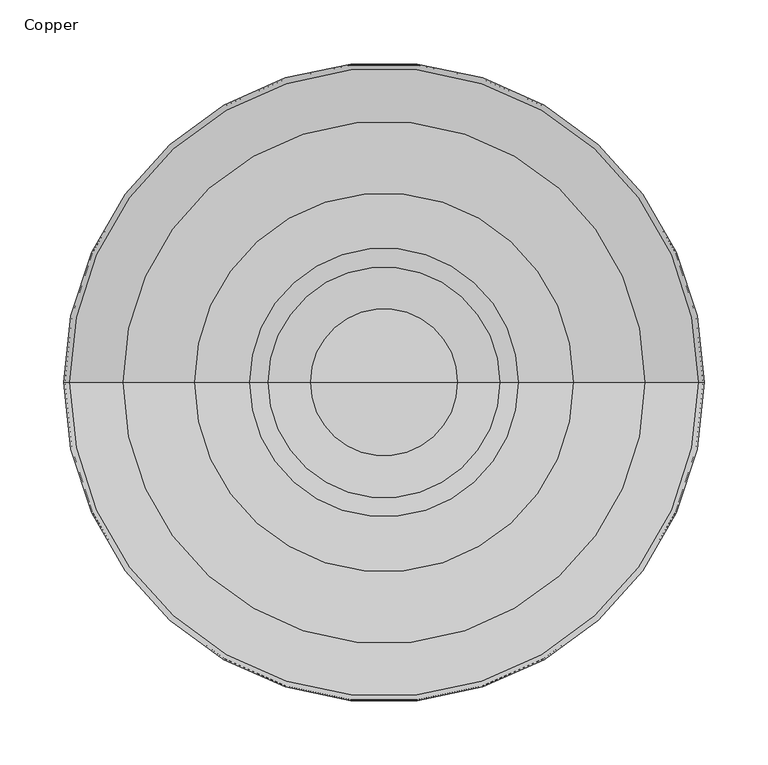
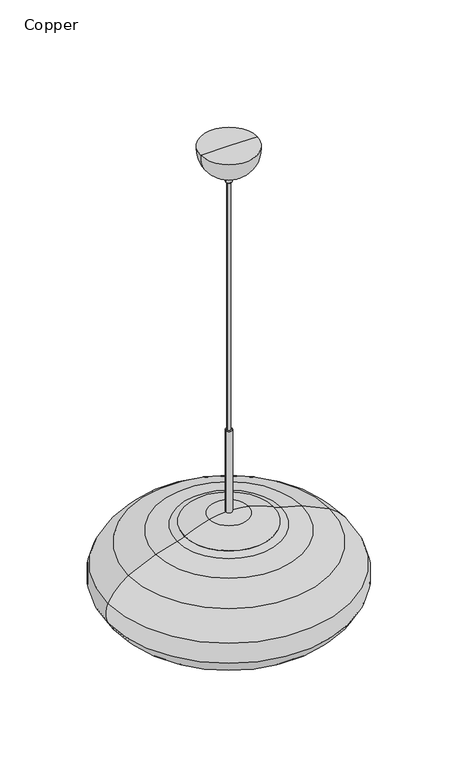
"""IFC4 building model written with IfcOpenShell, lengths in millimetres: furniture geometry, Copper."""

from ifc_helpers import new_model, si_unit, point, frame, origin, place, context, project, spatial, polyline, circle_curve, ellipse_curve, trimmed, source, transform, mapped, element, save
from ifc_brep_helpers import plane_surface, cylinder_surface, revolved_surface, advanced_brep


def copper_7a204eb2(model_context):
    return source(origin(), model_context, "Body", "AdvancedBrep", [
        advanced_brep(
        [(6.5, 0.0, 1676.4), (-6.5, 0.0, 1676.4), (0.0, 0.0, 1676.4), (6.5, 0.0, 1501.3458771), (-6.5, 0.0, 1501.3458771), (24.0, 0.0, 1469.7152466), (-24.0, 0.0, 1469.7152466), (-84.5, 0.0, 1469.7152466), (84.5, 0.0, 1469.7152466), (24.0, 0.0, 1422.0341858), (-24.0, 0.0, 1422.0341858), (22.984, 0.0, 1422.0341858), (-22.984, 0.0, 1422.0341858), (22.984, 0.0, 1469.7152466), (-22.984, 0.0, 1469.7152466), (0.0, 0.0, 1469.7152466), (39.9682541, 0.0, 1497.2867493), (-39.9682541, 0.0, 1497.2867493), (90.4472961, 0.0, 1478.6624207), (-90.4472961, 0.0, 1478.6624207), (89.9688721, 0.0, 1477.7455353), (-89.9688721, 0.0, 1477.7455353), (105.1433182, 0.0, 1472.3259338), (-105.1433182, 0.0, 1472.3259338), (148.2962224, 0.0, 1459.9000789), (-148.2962224, 0.0, 1459.9000789), (204.3228912, 0.0, 1434.3264526), (-204.3228912, 0.0, 1434.3264526), (246.0318909, 0.0, 1388.7589935), (-246.0318909, 0.0, 1388.7589935), (245.5249939, 0.0, 1345.2280945), (-245.5249939, 0.0, 1345.2280945), (208.1642151, 0.0, 1303.7337631), (-208.1642151, 0.0, 1303.7337631), (100.0109177, 0.0, 1262.2394318), (-100.0109177, 0.0, 1262.2394318), (99.8436462, 0.0, 1263.2415676), (-99.8436462, 0.0, 1263.2415676), (207.6182637, 0.0, 1304.5906138), (-207.6182637, 0.0, 1304.5906138), (244.615759, 0.0, 1345.6814684), (-244.615759, 0.0, 1345.6814684), (245.1123453, 0.0, 1388.3269149), (-245.1123453, 0.0, 1388.3269149), (203.8113514, 0.0, 1433.4486241), (-203.8113514, 0.0, 1433.4486241), (147.9681575, 0.0, 1458.9385024), (-147.9681575, 0.0, 1458.9385024), (104.909775, 0.0, 1471.3371398), (-104.909775, 0.0, 1471.3371398), (87.7162208, 0.0, 1477.7455353), (-87.7162208, 0.0, 1477.7455353), (84.5, 0.0, 1477.7455353), (-84.5, 0.0, 1477.7455353)],
        [
            (0, 1, circle_curve(frame((0.0, 0.0, 1676.4), z_axis=(0.0, 0.0, 1.0), x_axis=(-1.0, 0.0, 0.0)), 6.5)),
            (1, 2),
            (2, 0),
            (1, 0, circle_curve(frame((0.0, 0.0, 1676.4), z_axis=(0.0, 0.0, 1.0), x_axis=(-1.0, 0.0, 0.0)), 6.5)),
            (3, 4, circle_curve(frame((0.0, 0.0, 1501.3458771), z_axis=(0.0, 0.0, 1.0), x_axis=(-1.0, 0.0, 0.0)), 6.5)),
            (4, 1),
            (0, 3),
            (4, 3, circle_curve(frame((0.0, 0.0, 1501.3458771), z_axis=(0.0, 0.0, 1.0), x_axis=(-1.0, 0.0, 0.0)), 6.5)),
            (5, 6, circle_curve(frame((0.0, 0.0, 1469.7152466), z_axis=(0.0, 0.0, 1.0), x_axis=(-1.0, 0.0, 0.0)), 24.0)),
            (6, 7),
            (7, 8, circle_curve(frame((0.0, 0.0, 1469.7152466), z_axis=(0.0, 0.0, -1.0), x_axis=(-1.0, 0.0, 0.0)), 84.5)),
            (8, 5),
            (6, 5, circle_curve(frame((0.0, 0.0, 1469.7152466), z_axis=(0.0, 0.0, 1.0), x_axis=(-1.0, 0.0, 0.0)), 24.0)),
            (8, 7, circle_curve(frame((0.0, 0.0, 1469.7152466), z_axis=(0.0, 0.0, -1.0), x_axis=(-1.0, 0.0, 0.0)), 84.5)),
            (9, 10, circle_curve(frame((0.0, 0.0, 1422.0341858), z_axis=(0.0, 0.0, 1.0), x_axis=(-1.0, 0.0, 0.0)), 24.0)),
            (10, 6),
            (5, 9),
            (10, 9, circle_curve(frame((0.0, 0.0, 1422.0341858), z_axis=(0.0, 0.0, 1.0), x_axis=(-1.0, 0.0, 0.0)), 24.0)),
            (11, 12, circle_curve(frame((0.0, 0.0, 1422.0341858), z_axis=(0.0, 0.0, 1.0), x_axis=(-1.0, 0.0, 0.0)), 22.984)),
            (12, 10),
            (9, 11),
            (12, 11, circle_curve(frame((0.0, 0.0, 1422.0341858), z_axis=(0.0, 0.0, 1.0), x_axis=(-1.0, 0.0, 0.0)), 22.984)),
            (13, 14, circle_curve(frame((0.0, 0.0, 1469.7152466), z_axis=(0.0, 0.0, 1.0), x_axis=(-1.0, 0.0, 0.0)), 22.984)),
            (14, 12),
            (11, 13),
            (14, 13, circle_curve(frame((0.0, 0.0, 1469.7152466), z_axis=(0.0, 0.0, 1.0), x_axis=(-1.0, 0.0, 0.0)), 22.984)),
            (15, 14),
            (13, 15),
            (16, 17, circle_curve(frame((0.0, 0.0, 1497.2867493), z_axis=(0.0, 0.0, 1.0), x_axis=(-1.0, 0.0, 0.0)), 39.9682541)),
            (17, 4, circle_curve(frame((-5.4213314, 0.0, 1352.4465426), z_axis=(0.0, 1.0, 0.0), x_axis=(1.0, 0.0, 0.0)), 148.9032415)),
            (3, 16, circle_curve(frame((5.4213314, 0.0, 1352.4465426), z_axis=(0.0, 1.0, 0.0), x_axis=(-1.0, 0.0, 0.0)), 148.9032415)),
            (17, 16, circle_curve(frame((0.0, 0.0, 1497.2867493), z_axis=(0.0, 0.0, 1.0), x_axis=(-1.0, 0.0, 0.0)), 39.9682541)),
            (18, 19, circle_curve(frame((0.0, 0.0, 1478.6624207), z_axis=(0.0, 0.0, 1.0), x_axis=(-1.0, 0.0, 0.0)), 90.4472961)),
            (19, 17, circle_curve(frame((12.4685326, 0.0, 1277.4421311), z_axis=(0.0, 1.0, 0.0), x_axis=(1.0, 0.0, 0.0)), 226.011665)),
            (16, 18, circle_curve(frame((-12.4685326, 0.0, 1277.4421311), z_axis=(0.0, 1.0, 0.0), x_axis=(-1.0, 0.0, 0.0)), 226.011665)),
            (19, 18, circle_curve(frame((0.0, 0.0, 1478.6624207), z_axis=(0.0, 0.0, 1.0), x_axis=(-1.0, 0.0, 0.0)), 90.4472961)),
            (20, 21, circle_curve(frame((0.0, 0.0, 1477.7455353), z_axis=(0.0, 0.0, 1.0), x_axis=(-1.0, 0.0, 0.0)), 89.9688721)),
            (21, 19),
            (18, 20),
            (21, 20, circle_curve(frame((0.0, 0.0, 1477.7455353), z_axis=(0.0, 0.0, 1.0), x_axis=(-1.0, 0.0, 0.0)), 89.9688721)),
            (22, 23, circle_curve(frame((0.0, 0.0, 1472.3259338), z_axis=(0.0, 0.0, 1.0), x_axis=(-1.0, 0.0, 0.0)), 105.1433182)),
            (23, 21, circle_curve(frame((-121.8476786, 0.0, 1543.0502053), z_axis=(0.0, -1.0, 0.0), x_axis=(1.0, 0.0, 0.0)), 72.6702018)),
            (20, 22, circle_curve(frame((121.8476786, 0.0, 1543.0502053), z_axis=(0.0, -1.0, 0.0), x_axis=(-1.0, 0.0, 0.0)), 72.6702018)),
            (23, 22, circle_curve(frame((0.0, 0.0, 1472.3259338), z_axis=(0.0, 0.0, 1.0), x_axis=(-1.0, 0.0, 0.0)), 105.1433182)),
            (24, 25, circle_curve(frame((0.0, 0.0, 1459.9000789), z_axis=(0.0, 0.0, 1.0), x_axis=(-1.0, 0.0, 0.0)), 148.2962224)),
            (25, 23, circle_curve(frame((1.4783497, 0.0, 1020.9024963), z_axis=(0.0, 1.0, 0.0), x_axis=(1.0, 0.0, 0.0)), 463.8440471)),
            (22, 24, circle_curve(frame((-1.4783497, 0.0, 1020.9024963), z_axis=(0.0, 1.0, 0.0), x_axis=(-1.0, 0.0, 0.0)), 463.8440471)),
            (25, 24, circle_curve(frame((0.0, 0.0, 1459.9000789), z_axis=(0.0, 0.0, 1.0), x_axis=(-1.0, 0.0, 0.0)), 148.2962224)),
            (26, 27, circle_curve(frame((0.0, 0.0, 1434.3264526), z_axis=(0.0, 0.0, 1.0), x_axis=(-1.0, 0.0, 0.0)), 204.3228912)),
            (27, 25, circle_curve(frame((-48.1169358, 0.0, 1166.2690304), z_axis=(0.0, 1.0, 0.0), x_axis=(1.0, 0.0, 0.0)), 310.2500316)),
            (24, 26, circle_curve(frame((48.1169358, 0.0, 1166.2690304), z_axis=(0.0, 1.0, 0.0), x_axis=(-1.0, 0.0, 0.0)), 310.2500316)),
            (27, 26, circle_curve(frame((0.0, 0.0, 1434.3264526), z_axis=(0.0, 0.0, 1.0), x_axis=(-1.0, 0.0, 0.0)), 204.3228912)),
            (28, 29, circle_curve(frame((0.0, 0.0, 1388.7589935), z_axis=(0.0, 0.0, 1.0), x_axis=(-1.0, 0.0, 0.0)), 246.0318909)),
            (29, 27, circle_curve(frame((-152.0299639, 0.0, 1344.5891103), z_axis=(0.0, 1.0, 0.0), x_axis=(1.0, 0.0, 0.0)), 103.8621242)),
            (26, 28, circle_curve(frame((152.0299639, 0.0, 1344.5891103), z_axis=(0.0, 1.0, 0.0), x_axis=(-1.0, 0.0, 0.0)), 103.8621242)),
            (29, 28, circle_curve(frame((0.0, 0.0, 1388.7589935), z_axis=(0.0, 0.0, 1.0), x_axis=(-1.0, 0.0, 0.0)), 246.0318909)),
            (30, 31, circle_curve(frame((0.0, 0.0, 1345.2280945), z_axis=(0.0, 0.0, 1.0), x_axis=(-1.0, 0.0, 0.0)), 245.5249939)),
            (31, 29, circle_curve(frame((-200.8248965, 0.0, 1367.517007), z_axis=(0.0, 1.0, 0.0), x_axis=(1.0, 0.0, 0.0)), 49.9489172)),
            (28, 30, circle_curve(frame((200.8248965, 0.0, 1367.517007), z_axis=(0.0, 1.0, 0.0), x_axis=(-1.0, 0.0, 0.0)), 49.9489172)),
            (31, 30, circle_curve(frame((0.0, 0.0, 1345.2280945), z_axis=(0.0, 0.0, 1.0), x_axis=(-1.0, 0.0, 0.0)), 245.5249939)),
            (32, 33, circle_curve(frame((0.0, 0.0, 1303.7337631), z_axis=(0.0, 0.0, 1.0), x_axis=(-1.0, 0.0, 0.0)), 208.1642151)),
            (33, 31, circle_curve(frame((-152.0175221, 0.0, 1391.8539406), z_axis=(0.0, 1.0, 0.0), x_axis=(1.0, 0.0, 0.0)), 104.4874002)),
            (30, 32, circle_curve(frame((152.0175221, 0.0, 1391.8539406), z_axis=(0.0, 1.0, 0.0), x_axis=(-1.0, 0.0, 0.0)), 104.4874002)),
            (33, 32, circle_curve(frame((0.0, 0.0, 1303.7337631), z_axis=(0.0, 0.0, 1.0), x_axis=(-1.0, 0.0, 0.0)), 208.1642151)),
            (34, 35, circle_curve(frame((0.0, 0.0, 1262.2394318), z_axis=(0.0, 0.0, 1.0), x_axis=(-1.0, 0.0, 0.0)), 100.0109177)),
            (35, 33, circle_curve(frame((-52.2371618, 0.0, 1548.4555601), z_axis=(0.0, 1.0, 0.0), x_axis=(1.0, 0.0, 0.0)), 290.1758154)),
            (32, 34, circle_curve(frame((52.2371618, 0.0, 1548.4555601), z_axis=(0.0, 1.0, 0.0), x_axis=(-1.0, 0.0, 0.0)), 290.1758154)),
            (35, 34, circle_curve(frame((0.0, 0.0, 1262.2394318), z_axis=(0.0, 0.0, 1.0), x_axis=(-1.0, 0.0, 0.0)), 100.0109177)),
            (36, 37, circle_curve(frame((0.0, 0.0, 1263.2415676), z_axis=(0.0, 0.0, 1.0), x_axis=(-1.0, 0.0, 0.0)), 99.8436462)),
            (37, 35),
            (34, 36),
            (37, 36, circle_curve(frame((0.0, 0.0, 1263.2415676), z_axis=(0.0, 0.0, 1.0), x_axis=(-1.0, 0.0, 0.0)), 99.8436462)),
            (38, 39, circle_curve(frame((0.0, 0.0, 1304.5906138), z_axis=(0.0, 0.0, 1.0), x_axis=(-1.0, 0.0, 0.0)), 207.6182637)),
            (39, 37, circle_curve(frame((-52.2371618, 0.0, 1548.4555601), z_axis=(0.0, -1.0, 0.0), x_axis=(1.0, 0.0, 0.0)), 289.1598154)),
            (36, 38, circle_curve(frame((52.2371618, 0.0, 1548.4555601), z_axis=(0.0, -1.0, 0.0), x_axis=(-1.0, 0.0, 0.0)), 289.1598154)),
            (39, 38, circle_curve(frame((0.0, 0.0, 1304.5906138), z_axis=(0.0, 0.0, 1.0), x_axis=(-1.0, 0.0, 0.0)), 207.6182637)),
            (40, 41, circle_curve(frame((0.0, 0.0, 1345.6814684), z_axis=(0.0, 0.0, 1.0), x_axis=(-1.0, 0.0, 0.0)), 244.615759)),
            (41, 39, circle_curve(frame((-152.0175221, 0.0, 1391.8539406), z_axis=(0.0, -1.0, 0.0), x_axis=(1.0, 0.0, 0.0)), 103.4714002)),
            (38, 40, circle_curve(frame((152.0175221, 0.0, 1391.8539406), z_axis=(0.0, -1.0, 0.0), x_axis=(-1.0, 0.0, 0.0)), 103.4714002)),
            (41, 40, circle_curve(frame((0.0, 0.0, 1345.6814684), z_axis=(0.0, 0.0, 1.0), x_axis=(-1.0, 0.0, 0.0)), 244.615759)),
            (42, 43, circle_curve(frame((0.0, 0.0, 1388.3269149), z_axis=(0.0, 0.0, 1.0), x_axis=(-1.0, 0.0, 0.0)), 245.1123453)),
            (43, 41, circle_curve(frame((-200.8248965, 0.0, 1367.517007), z_axis=(0.0, -1.0, 0.0), x_axis=(1.0, 0.0, 0.0)), 48.9329172)),
            (40, 42, circle_curve(frame((200.8248965, 0.0, 1367.517007), z_axis=(0.0, -1.0, 0.0), x_axis=(-1.0, 0.0, 0.0)), 48.9329172)),
            (43, 42, circle_curve(frame((0.0, 0.0, 1388.3269149), z_axis=(0.0, 0.0, 1.0), x_axis=(-1.0, 0.0, 0.0)), 245.1123453)),
            (44, 45, circle_curve(frame((0.0, 0.0, 1433.4486241), z_axis=(0.0, 0.0, 1.0), x_axis=(-1.0, 0.0, 0.0)), 203.8113514)),
            (45, 43, circle_curve(frame((-152.0299639, 0.0, 1344.5891103), z_axis=(0.0, -1.0, 0.0), x_axis=(1.0, 0.0, 0.0)), 102.8461242)),
            (42, 44, circle_curve(frame((152.0299639, 0.0, 1344.5891103), z_axis=(0.0, -1.0, 0.0), x_axis=(-1.0, 0.0, 0.0)), 102.8461242)),
            (45, 44, circle_curve(frame((0.0, 0.0, 1433.4486241), z_axis=(0.0, 0.0, 1.0), x_axis=(-1.0, 0.0, 0.0)), 203.8113514)),
            (46, 47, circle_curve(frame((0.0, 0.0, 1458.9385024), z_axis=(0.0, 0.0, 1.0), x_axis=(-1.0, 0.0, 0.0)), 147.9681575)),
            (47, 45, circle_curve(frame((-48.1169358, 0.0, 1166.2690304), z_axis=(0.0, -1.0, 0.0), x_axis=(1.0, 0.0, 0.0)), 309.2340316)),
            (44, 46, circle_curve(frame((48.1169358, 0.0, 1166.2690304), z_axis=(0.0, -1.0, 0.0), x_axis=(-1.0, 0.0, 0.0)), 309.2340316)),
            (47, 46, circle_curve(frame((0.0, 0.0, 1458.9385024), z_axis=(0.0, 0.0, 1.0), x_axis=(-1.0, 0.0, 0.0)), 147.9681575)),
            (48, 49, circle_curve(frame((0.0, 0.0, 1471.3371398), z_axis=(0.0, 0.0, 1.0), x_axis=(-1.0, 0.0, 0.0)), 104.909775)),
            (49, 47, circle_curve(frame((1.4783497, 0.0, 1020.9024963), z_axis=(0.0, -1.0, 0.0), x_axis=(1.0, 0.0, 0.0)), 462.8280471)),
            (46, 48, circle_curve(frame((-1.4783497, 0.0, 1020.9024963), z_axis=(0.0, -1.0, 0.0), x_axis=(-1.0, 0.0, 0.0)), 462.8280471)),
            (49, 48, circle_curve(frame((0.0, 0.0, 1471.3371398), z_axis=(0.0, 0.0, 1.0), x_axis=(-1.0, 0.0, 0.0)), 104.909775)),
            (50, 51, circle_curve(frame((0.0, 0.0, 1477.7455353), z_axis=(0.0, 0.0, 1.0), x_axis=(-1.0, 0.0, 0.0)), 87.7162208)),
            (51, 49, circle_curve(frame((-121.8476786, 0.0, 1543.0502053), z_axis=(0.0, 1.0, 0.0), x_axis=(1.0, 0.0, 0.0)), 73.6862018)),
            (48, 50, circle_curve(frame((121.8476786, 0.0, 1543.0502053), z_axis=(0.0, 1.0, 0.0), x_axis=(-1.0, 0.0, 0.0)), 73.6862018)),
            (51, 50, circle_curve(frame((0.0, 0.0, 1477.7455353), z_axis=(0.0, 0.0, 1.0), x_axis=(-1.0, 0.0, 0.0)), 87.7162208)),
            (52, 53, circle_curve(frame((0.0, 0.0, 1477.7455353), z_axis=(0.0, 0.0, 1.0), x_axis=(-1.0, 0.0, 0.0)), 84.5)),
            (53, 51),
            (50, 52),
            (53, 52, circle_curve(frame((0.0, 0.0, 1477.7455353), z_axis=(0.0, 0.0, 1.0), x_axis=(-1.0, 0.0, 0.0)), 84.5)),
            (7, 53),
            (52, 8),
        ],
        [
            plane_surface(frame((0.0, 0.0, 1676.4), z_axis=(0.0, 0.0, 1.0), x_axis=(-1.0, 0.0, 0.0))),
            cylinder_surface(frame((0.0, 0.0, 1045.5765484), z_axis=(0.0, 0.0, -1.0), x_axis=(-1.0, 0.0, 0.0)), 6.5),
            plane_surface(frame((0.0, 0.0, 1469.7152466), z_axis=(0.0, 0.0, -1.0), x_axis=(-1.0, 0.0, 0.0))),
            cylinder_surface(frame((0.0, 0.0, 1045.5765484), z_axis=(0.0, 0.0, -1.0), x_axis=(-1.0, 0.0, 0.0)), 24.0),
            plane_surface(frame((0.0, 0.0, 1422.0341858), z_axis=(0.0, 0.0, -1.0), x_axis=(-1.0, 0.0, 0.0))),
            revolved_surface(polyline([(-22.984, 0.0, 1422.0341858), (-22.984, 0.0, 1469.7152466)]), (0.0, 0.0, 1045.5765484), (0.0, 0.0, -1.0)),
            revolved_surface(trimmed(ellipse_curve(frame((-5.4213314, 0.0, 1352.4465426), z_axis=(0.0, -1.0, 0.0), x_axis=(1.0, 0.0, 0.0)), 148.9032415, 148.9032415), [point((-6.5, 0.0, 1501.3458771))], [point((-39.9682541, 0.0, 1497.2867493))], True, "CARTESIAN"), (0.0, 0.0, 1045.5765484), (0.0, 0.0, -1.0)),
            revolved_surface(trimmed(ellipse_curve(frame((12.4685326, 0.0, 1277.4421311), z_axis=(0.0, -1.0, 0.0), x_axis=(1.0, 0.0, 0.0)), 226.011665, 226.011665), [point((-39.9682541, 0.0, 1497.2867493))], [point((-90.4472961, 0.0, 1478.6624207))], True, "CARTESIAN"), (0.0, 0.0, 1045.5765484), (0.0, 0.0, -1.0)),
            revolved_surface(polyline([(-90.4472961, 0.0, 1478.6624207), (-89.9688721, 0.0, 1477.7455353)]), (0.0, 0.0, 1045.5765484), (0.0, 0.0, -1.0)),
            revolved_surface(trimmed(ellipse_curve(frame((-121.8476786, 0.0, 1543.0502053), z_axis=(0.0, 1.0, 0.0), x_axis=(1.0, 0.0, 0.0)), 72.6702018, 72.6702018), [point((-89.9688721, 0.0, 1477.7455353))], [point((-105.1433182, 0.0, 1472.3259338))], True, "CARTESIAN"), (0.0, 0.0, 1045.5765484), (0.0, 0.0, -1.0)),
            revolved_surface(trimmed(ellipse_curve(frame((1.4783497, 0.0, 1020.9024963), z_axis=(0.0, -1.0, 0.0), x_axis=(1.0, 0.0, 0.0)), 463.8440471, 463.8440471), [point((-105.1433182, 0.0, 1472.3259338))], [point((-148.2962224, 0.0, 1459.9000789))], True, "CARTESIAN"), (0.0, 0.0, 1045.5765484), (0.0, 0.0, -1.0)),
            revolved_surface(trimmed(ellipse_curve(frame((-48.1169358, 0.0, 1166.2690304), z_axis=(0.0, -1.0, 0.0), x_axis=(1.0, 0.0, 0.0)), 310.2500316, 310.2500316), [point((-148.2962224, 0.0, 1459.9000789))], [point((-204.3228912, 0.0, 1434.3264526))], True, "CARTESIAN"), (0.0, 0.0, 1045.5765484), (0.0, 0.0, -1.0)),
            revolved_surface(trimmed(ellipse_curve(frame((-152.0299639, 0.0, 1344.5891103), z_axis=(0.0, -1.0, 0.0), x_axis=(1.0, 0.0, 0.0)), 103.8621242, 103.8621242), [point((-204.3228912, 0.0, 1434.3264526))], [point((-246.0318909, 0.0, 1388.7589935))], True, "CARTESIAN"), (0.0, 0.0, 1045.5765484), (0.0, 0.0, -1.0)),
            revolved_surface(trimmed(ellipse_curve(frame((-200.8248965, 0.0, 1367.517007), z_axis=(0.0, -1.0, 0.0), x_axis=(1.0, 0.0, 0.0)), 49.9489172, 49.9489172), [point((-246.0318909, 0.0, 1388.7589935))], [point((-245.5249939, 0.0, 1345.2280945))], True, "CARTESIAN"), (0.0, 0.0, 1045.5765484), (0.0, 0.0, -1.0)),
            revolved_surface(trimmed(ellipse_curve(frame((-152.0175221, 0.0, 1391.8539406), z_axis=(0.0, -1.0, 0.0), x_axis=(1.0, 0.0, 0.0)), 104.4874002, 104.4874002), [point((-245.5249939, 0.0, 1345.2280945))], [point((-208.1642151, 0.0, 1303.7337631))], True, "CARTESIAN"), (0.0, 0.0, 1045.5765484), (0.0, 0.0, -1.0)),
            revolved_surface(trimmed(ellipse_curve(frame((-52.2371618, 0.0, 1548.4555601), z_axis=(0.0, -1.0, 0.0), x_axis=(1.0, 0.0, 0.0)), 290.1758154, 290.1758154), [point((-208.1642151, 0.0, 1303.7337631))], [point((-100.0109177, 0.0, 1262.2394318))], True, "CARTESIAN"), (0.0, 0.0, 1045.5765484), (0.0, 0.0, -1.0)),
            revolved_surface(polyline([(-100.0109177, 0.0, 1262.2394318), (-99.8436462, 0.0, 1263.2415676)]), (0.0, 0.0, 1045.5765484), (0.0, 0.0, -1.0)),
            revolved_surface(trimmed(ellipse_curve(frame((-52.2371618, 0.0, 1548.4555601), z_axis=(0.0, 1.0, 0.0), x_axis=(1.0, 0.0, 0.0)), 289.1598154, 289.1598154), [point((-99.8436462, 0.0, 1263.2415676))], [point((-207.6182637, 0.0, 1304.5906138))], True, "CARTESIAN"), (0.0, 0.0, 1045.5765484), (0.0, 0.0, -1.0)),
            revolved_surface(trimmed(ellipse_curve(frame((-152.0175221, 0.0, 1391.8539406), z_axis=(0.0, 1.0, 0.0), x_axis=(1.0, 0.0, 0.0)), 103.4714002, 103.4714002), [point((-207.6182637, 0.0, 1304.5906138))], [point((-244.615759, 0.0, 1345.6814684))], True, "CARTESIAN"), (0.0, 0.0, 1045.5765484), (0.0, 0.0, -1.0)),
            revolved_surface(trimmed(ellipse_curve(frame((-200.8248965, 0.0, 1367.517007), z_axis=(0.0, 1.0, 0.0), x_axis=(1.0, 0.0, 0.0)), 48.9329172, 48.9329172), [point((-244.615759, 0.0, 1345.6814684))], [point((-245.1123453, 0.0, 1388.3269149))], True, "CARTESIAN"), (0.0, 0.0, 1045.5765484), (0.0, 0.0, -1.0)),
            revolved_surface(trimmed(ellipse_curve(frame((-152.0299639, 0.0, 1344.5891103), z_axis=(0.0, 1.0, 0.0), x_axis=(1.0, 0.0, 0.0)), 102.8461242, 102.8461242), [point((-245.1123453, 0.0, 1388.3269149))], [point((-203.8113514, 0.0, 1433.4486241))], True, "CARTESIAN"), (0.0, 0.0, 1045.5765484), (0.0, 0.0, -1.0)),
            revolved_surface(trimmed(ellipse_curve(frame((-48.1169358, 0.0, 1166.2690304), z_axis=(0.0, 1.0, 0.0), x_axis=(1.0, 0.0, 0.0)), 309.2340316, 309.2340316), [point((-203.8113514, 0.0, 1433.4486241))], [point((-147.9681575, 0.0, 1458.9385024))], True, "CARTESIAN"), (0.0, 0.0, 1045.5765484), (0.0, 0.0, -1.0)),
            revolved_surface(trimmed(ellipse_curve(frame((1.4783497, 0.0, 1020.9024963), z_axis=(0.0, 1.0, 0.0), x_axis=(1.0, 0.0, 0.0)), 462.8280471, 462.8280471), [point((-147.9681575, 0.0, 1458.9385024))], [point((-104.909775, 0.0, 1471.3371398))], True, "CARTESIAN"), (0.0, 0.0, 1045.5765484), (0.0, 0.0, -1.0)),
            revolved_surface(trimmed(ellipse_curve(frame((-121.8476786, 0.0, 1543.0502053), z_axis=(0.0, -1.0, 0.0), x_axis=(1.0, 0.0, 0.0)), 73.6862018, 73.6862018), [point((-104.909775, 0.0, 1471.3371398))], [point((-87.7162208, 0.0, 1477.7455353))], True, "CARTESIAN"), (0.0, 0.0, 1045.5765484), (0.0, 0.0, -1.0)),
            plane_surface(frame((0.0, 0.0, 1477.7455353), z_axis=(0.0, 0.0, -1.0), x_axis=(-1.0, 0.0, 0.0))),
            cylinder_surface(frame((0.0, 0.0, 1045.5765484), z_axis=(0.0, 0.0, -1.0), x_axis=(-1.0, 0.0, 0.0)), 84.5),
        ],
        [
            (0, [[1, 2, 3]]),
            (0, [[4, -3, -2]]),
            (1, [[5, 6, -1, 7]]),
            (1, [[8, -7, -4, -6]]),
            (2, [[9, 10, 11, 12]]),
            (2, [[13, -12, 14, -10]]),
            (3, [[15, 16, -9, 17]]),
            (3, [[18, -17, -13, -16]]),
            (4, [[19, 20, -15, 21]]),
            (4, [[22, -21, -18, -20]]),
            (5, [[23, 24, -19, 25]]),
            (5, [[26, -25, -22, -24]]),
            (2, [[27, -23, 28]]),
            (2, [[-28, -26, -27]]),
            (6, [[29, 30, -5, 31]]),
            (6, [[32, -31, -8, -30]]),
            (7, [[33, 34, -29, 35]]),
            (7, [[36, -35, -32, -34]]),
            (8, [[37, 38, -33, 39]]),
            (8, [[40, -39, -36, -38]]),
            (9, [[41, 42, -37, 43]]),
            (9, [[44, -43, -40, -42]]),
            (10, [[45, 46, -41, 47]]),
            (10, [[48, -47, -44, -46]]),
            (11, [[49, 50, -45, 51]]),
            (11, [[52, -51, -48, -50]]),
            (12, [[53, 54, -49, 55]]),
            (12, [[56, -55, -52, -54]]),
            (13, [[57, 58, -53, 59]]),
            (13, [[60, -59, -56, -58]]),
            (14, [[61, 62, -57, 63]]),
            (14, [[64, -63, -60, -62]]),
            (15, [[65, 66, -61, 67]]),
            (15, [[68, -67, -64, -66]]),
            (16, [[69, 70, -65, 71]]),
            (16, [[72, -71, -68, -70]]),
            (17, [[73, 74, -69, 75]]),
            (17, [[76, -75, -72, -74]]),
            (18, [[77, 78, -73, 79]]),
            (18, [[80, -79, -76, -78]]),
            (19, [[81, 82, -77, 83]]),
            (19, [[84, -83, -80, -82]]),
            (20, [[85, 86, -81, 87]]),
            (20, [[88, -87, -84, -86]]),
            (21, [[89, 90, -85, 91]]),
            (21, [[92, -91, -88, -90]]),
            (22, [[93, 94, -89, 95]]),
            (22, [[96, -95, -92, -94]]),
            (23, [[97, 98, -93, 99]]),
            (23, [[100, -99, -96, -98]]),
            (24, [[101, 102, -97, 103]]),
            (24, [[104, -103, -100, -102]]),
            (25, [[-11, 105, -101, 106]]),
            (25, [[-14, -106, -104, -105]]),
        ],
    ),
        advanced_brep(
        [(3.556, 0.0, 2209.8), (-3.556, 0.0, 2209.8), (0.0, 0.0, 2209.8), (3.556, 0.0, 1676.4), (-3.556, 0.0, 1676.4), (0.0, 0.0, 1676.4)],
        [
            (0, 1, circle_curve(frame((0.0, 0.0, 2209.8), z_axis=(0.0, 0.0, 1.0), x_axis=(-1.0, 0.0, 0.0)), 3.556)),
            (1, 2),
            (2, 0),
            (1, 0, circle_curve(frame((0.0, 0.0, 2209.8), z_axis=(0.0, 0.0, 1.0), x_axis=(-1.0, 0.0, 0.0)), 3.556)),
            (3, 4, circle_curve(frame((0.0, 0.0, 1676.4), z_axis=(0.0, 0.0, 1.0), x_axis=(-1.0, 0.0, 0.0)), 3.556)),
            (4, 1),
            (0, 3),
            (4, 3, circle_curve(frame((0.0, 0.0, 1676.4), z_axis=(0.0, 0.0, 1.0), x_axis=(-1.0, 0.0, 0.0)), 3.556)),
            (5, 4),
            (3, 5),
        ],
        [
            plane_surface(frame((0.0, 0.0, 2209.8), z_axis=(0.0, 0.0, 1.0), x_axis=(-1.0, 0.0, 0.0))),
            cylinder_surface(frame((0.0, 0.0, 2421.4288111), z_axis=(0.0, 0.0, -1.0), x_axis=(-1.0, 0.0, 0.0)), 3.556),
            plane_surface(frame((0.0, 0.0, 1676.4), z_axis=(0.0, 0.0, -1.0), x_axis=(-1.0, 0.0, 0.0))),
        ],
        [
            (0, [[1, 2, 3]]),
            (0, [[4, -3, -2]]),
            (1, [[5, 6, -1, 7]]),
            (1, [[8, -7, -4, -6]]),
            (2, [[9, -5, 10]]),
            (2, [[-10, -8, -9]]),
        ],
    ),
        advanced_brep(
        [(57.4224398, 0.0, 2286.0), (-57.4224398, 0.0, 2286.0), (0.0, 0.0, 2286.0), (11.2391644, 0.0, 2226.2351074), (-11.2391644, 0.0, 2226.2351074), (7.2539285, 0.0, 2226.2351074), (-7.2539285, 0.0, 2226.2351074), (6.4923271, 0.0, 2225.4977527), (-6.4923271, 0.0, 2225.4977527), (6.0082113, 0.0, 2210.5373547), (-6.0082113, 0.0, 2210.5373547), (5.2466099, 0.0, 2209.8), (-5.2466099, 0.0, 2209.8), (0.0, 0.0, 2209.8)],
        [
            (0, 1, circle_curve(frame((0.0, 0.0, 2286.0), z_axis=(0.0, 0.0, 1.0), x_axis=(-1.0, 0.0, 0.0)), 57.4224398)),
            (1, 2),
            (2, 0),
            (1, 0, circle_curve(frame((0.0, 0.0, 2286.0), z_axis=(0.0, 0.0, 1.0), x_axis=(-1.0, 0.0, 0.0)), 57.4224398)),
            (3, 4, circle_curve(frame((0.0, 0.0, 2226.2351074), z_axis=(0.0, 0.0, 1.0), x_axis=(-1.0, 0.0, 0.0)), 11.2391644)),
            (4, 1, circle_curve(frame((-0.0218276, 0.0, 2282.6297877), z_axis=(0.0, 1.0, 0.0), x_axis=(1.0, 0.0, 0.0)), 57.4994662)),
            (0, 3, circle_curve(frame((0.0218276, 0.0, 2282.6297877), z_axis=(0.0, 1.0, 0.0), x_axis=(-1.0, 0.0, 0.0)), 57.4994662)),
            (4, 3, circle_curve(frame((0.0, 0.0, 2226.2351074), z_axis=(0.0, 0.0, 1.0), x_axis=(-1.0, 0.0, 0.0)), 11.2391644)),
            (5, 6, circle_curve(frame((0.0, 0.0, 2226.2351074), z_axis=(0.0, 0.0, 1.0), x_axis=(-1.0, 0.0, 0.0)), 7.2539285)),
            (6, 4),
            (3, 5),
            (6, 5, circle_curve(frame((0.0, 0.0, 2226.2351074), z_axis=(0.0, 0.0, 1.0), x_axis=(-1.0, 0.0, 0.0)), 7.2539285)),
            (7, 8, circle_curve(frame((0.0, 0.0, 2225.4977527), z_axis=(0.0, 0.0, 1.0), x_axis=(-1.0, 0.0, 0.0)), 6.4923271)),
            (8, 6, circle_curve(frame((-7.2539285, 0.0, 2225.4731074), z_axis=(0.0, -1.0, 0.0), x_axis=(1.0, 0.0, 0.0)), 0.762)),
            (5, 7, circle_curve(frame((7.2539285, 0.0, 2225.4731074), z_axis=(0.0, -1.0, 0.0), x_axis=(-1.0, 0.0, 0.0)), 0.762)),
            (8, 7, circle_curve(frame((0.0, 0.0, 2225.4977527), z_axis=(0.0, 0.0, 1.0), x_axis=(-1.0, 0.0, 0.0)), 6.4923271)),
            (9, 10, circle_curve(frame((0.0, 0.0, 2210.5373547), z_axis=(0.0, 0.0, 1.0), x_axis=(-1.0, 0.0, 0.0)), 6.0082113)),
            (10, 8),
            (7, 9),
            (10, 9, circle_curve(frame((0.0, 0.0, 2210.5373547), z_axis=(0.0, 0.0, 1.0), x_axis=(-1.0, 0.0, 0.0)), 6.0082113)),
            (11, 12, circle_curve(frame((0.0, 0.0, 2209.8), z_axis=(0.0, 0.0, 1.0), x_axis=(-1.0, 0.0, 0.0)), 5.2466099)),
            (12, 10, circle_curve(frame((-5.2466099, 0.0, 2210.562), z_axis=(0.0, 1.0, 0.0), x_axis=(1.0, 0.0, 0.0)), 0.762)),
            (9, 11, circle_curve(frame((5.2466099, 0.0, 2210.562), z_axis=(0.0, 1.0, 0.0), x_axis=(-1.0, 0.0, 0.0)), 0.762)),
            (12, 11, circle_curve(frame((0.0, 0.0, 2209.8), z_axis=(0.0, 0.0, 1.0), x_axis=(-1.0, 0.0, 0.0)), 5.2466099)),
            (13, 12),
            (11, 13),
        ],
        [
            plane_surface(frame((0.0, 0.0, 2286.0), z_axis=(0.0, 0.0, 1.0), x_axis=(-1.0, 0.0, 0.0))),
            revolved_surface(trimmed(ellipse_curve(frame((-0.0218276, 0.0, 2282.6297877), z_axis=(0.0, -1.0, 0.0), x_axis=(1.0, 0.0, 0.0)), 57.4994662, 57.4994662), [point((-57.4224398, 0.0, 2286.0))], [point((-11.2391644, 0.0, 2226.2351074))], True, "CARTESIAN"), (0.0, 0.0, 2311.4), (0.0, 0.0, -1.0)),
            plane_surface(frame((0.0, 0.0, 2226.2351074), z_axis=(0.0, 0.0, -1.0), x_axis=(-1.0, 0.0, 0.0))),
            revolved_surface(trimmed(ellipse_curve(frame((-7.2539285, 0.0, 2225.4731074), z_axis=(0.0, 1.0, 0.0), x_axis=(1.0, 0.0, 0.0)), 0.762, 0.762), [point((-7.2539285, 0.0, 2226.2351074))], [point((-6.4923271, 0.0, 2225.4977527))], True, "CARTESIAN"), (0.0, 0.0, 2311.4), (0.0, 0.0, -1.0)),
            revolved_surface(polyline([(-6.4923271, 0.0, 2225.4977527), (-6.0082113, 0.0, 2210.5373547)]), (0.0, 0.0, 2311.4), (0.0, 0.0, -1.0)),
            revolved_surface(trimmed(ellipse_curve(frame((-5.2466099, 0.0, 2210.562), z_axis=(0.0, -1.0, 0.0), x_axis=(1.0, 0.0, 0.0)), 0.762, 0.762), [point((-6.0082113, 0.0, 2210.5373547))], [point((-5.2466099, 0.0, 2209.8))], True, "CARTESIAN"), (0.0, 0.0, 2311.4), (0.0, 0.0, -1.0)),
            plane_surface(frame((0.0, 0.0, 2209.8), z_axis=(0.0, 0.0, -1.0), x_axis=(-1.0, 0.0, 0.0))),
        ],
        [
            (0, [[1, 2, 3]]),
            (0, [[4, -3, -2]]),
            (1, [[5, 6, -1, 7]]),
            (1, [[8, -7, -4, -6]]),
            (2, [[9, 10, -5, 11]]),
            (2, [[12, -11, -8, -10]]),
            (3, [[13, 14, -9, 15]]),
            (3, [[16, -15, -12, -14]]),
            (4, [[17, 18, -13, 19]]),
            (4, [[20, -19, -16, -18]]),
            (5, [[21, 22, -17, 23]]),
            (5, [[24, -23, -20, -22]]),
            (6, [[25, -21, 26]]),
            (6, [[-26, -24, -25]]),
        ],
    ),
    ])


if __name__ == "__main__":
    model = new_model("IFC4")
    model_context = context("Model", 3, world=origin())
    ifc_project = project(units=[si_unit("LENGTHUNIT", "METRE", prefix="MILLI")], contexts=[model_context])
    site = spatial("IfcSite", under=ifc_project)
    building = spatial("IfcBuilding", under=site)
    placement = place(None, origin())
    copper_shape = copper_7a204eb2(model_context)
    element("IfcFurniture", 1, ObjectType="Copper", at=placement, inside=building, context=model_context, shape_type="MappedRepresentation", body=[
        mapped(copper_shape, transform((0.0, 0.0, 0.0), x_axis=(1.0, 0.0, 0.0), y_axis=(0.0, 1.0, 0.0), z_axis=(0.0, 0.0, 1.0))),
    ])
    save(model, "model.ifc")
